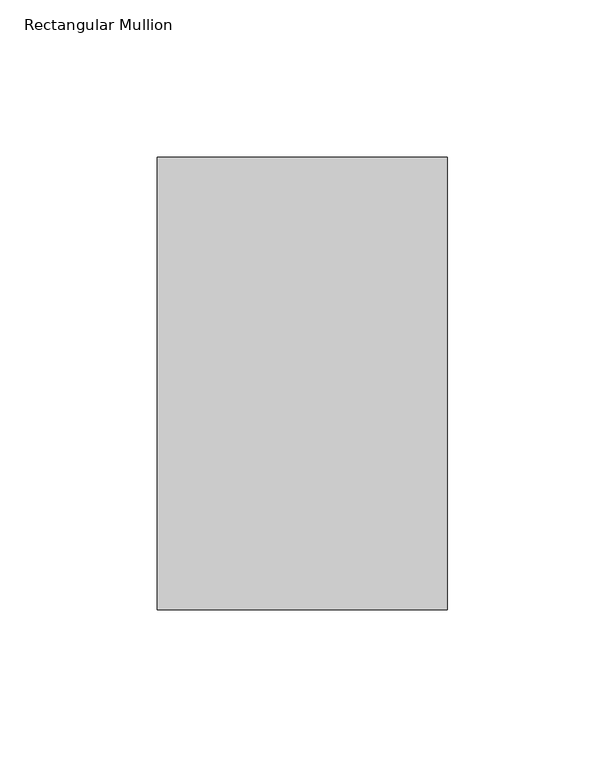
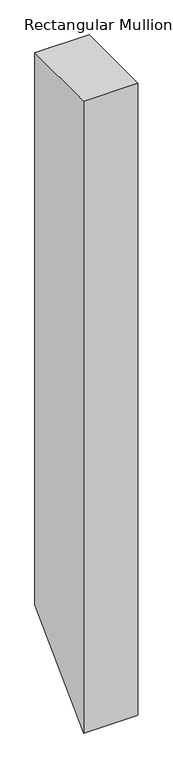
"""IFC4 building model written with IfcOpenShell, lengths in millimetres: member geometry, Rectangular Mullion."""

import ifcopenshell
import ifcopenshell.guid

model = None  # the IFC model being written
_history = None  # IfcOwnerHistory: only IFC2X3 demands one
_inside = {}  # id of a spatial element -> (the spatial element, [elements in it])
_under = {}  # id of a project, library or spatial element -> (it, [spatial elements below it])
_declared = {}  # id of a project -> (the project, [libraries it declares])
_typed = {}  # id of a type object -> (the type object, [elements of that type])
_made_of = {}  # id of a material, layer set ... -> (it, [elements and type objects made of it])


def new_model(schema):
    """Start an empty IFC model of exactly this schema.

    Asked for "IFC4X3", IfcOpenShell would pick the latest addendum, in which some entities
    have other attributes; the version numbers below select the first issue.
    IFC2X3 requires an IfcOwnerHistory on every rooted entity: one is made here for all.
    """
    global model, _history
    if schema == "IFC4X3":
        model = ifcopenshell.file(schema_version=(4, 3, 0, 0))
    else:
        model = ifcopenshell.file(schema=schema)
    _inside.clear()
    _under.clear()
    _declared.clear()
    _typed.clear()
    _made_of.clear()
    _history = None
    if model.schema == "IFC2X3":
        org = make("IfcOrganization", Name="unknown")
        user = make(
            "IfcPersonAndOrganization",
            ThePerson=make("IfcPerson", FamilyName="unknown"),
            TheOrganization=org,
        )
        app = make(
            "IfcApplication",
            ApplicationDeveloper=org,
            Version="unknown",
            ApplicationFullName="unknown",
            ApplicationIdentifier="unknown",
        )
        _history = make(
            "IfcOwnerHistory",
            OwningUser=user,
            OwningApplication=app,
            ChangeAction="ADDED",
            CreationDate=0,
        )
    return model


def make(cls, **values):
    """One entity of the class cls with the attributes given. An attribute that is None is left unset."""
    return model.create_entity(
        cls, **{name: value for name, value in values.items() if value is not None}
    )


def rooted(cls, **values):
    """An entity with a GlobalId (a new one), such as an element, a storey or a relation."""
    return make(cls, GlobalId=ifcopenshell.guid.new(), OwnerHistory=_history, **values)


def si_unit(unit_type, name, prefix=None):
    """IfcSIUnit, for example si_unit("LENGTHUNIT", "METRE", prefix="MILLI")."""
    return make("IfcSIUnit", UnitType=unit_type, Prefix=prefix, Name=name)


def assignment(units):
    """IfcUnitAssignment: the units of a project."""
    return None if units is None else make("IfcUnitAssignment", Units=units)


def point(xyz):
    """IfcCartesianPoint."""
    return None if xyz is None else make("IfcCartesianPoint", Coordinates=xyz)


def direction(xyz):
    """IfcDirection."""
    return None if xyz is None else make("IfcDirection", DirectionRatios=xyz)


def frame(location, z_axis=None, x_axis=None):
    """IfcAxis2Placement3D, a coordinate frame: its origin and axes. An axis left out is left unset."""
    return make(
        "IfcAxis2Placement3D",
        Location=point(location),
        Axis=direction(z_axis),
        RefDirection=direction(x_axis),
    )


def origin():
    """The frame at (0, 0, 0) with its axes left unset."""
    return frame((0.0, 0.0, 0.0))


def place(relative_to, where):
    """IfcLocalPlacement: puts the frame where relative to a parent placement (None: the world)."""
    return make(
        "IfcLocalPlacement", PlacementRelTo=relative_to, RelativePlacement=where
    )


def context(
    kind, dimensions, precision=None, world=None, true_north=None, identifier=None
):
    """IfcGeometricRepresentationContext, for example the 3D "Model" context."""
    return make(
        "IfcGeometricRepresentationContext",
        ContextIdentifier=identifier,
        ContextType=kind,
        CoordinateSpaceDimension=dimensions,
        Precision=precision,
        WorldCoordinateSystem=world,
        TrueNorth=true_north,
    )


def project(units=None, contexts=None):
    """IfcProject with its units and contexts."""
    return rooted(
        "IfcProject",
        Name="project",
        RepresentationContexts=contexts,
        UnitsInContext=assignment(units),
    )


def spatial(cls, under=None, at=None, **own):
    """A site, building, storey or space (cls), placed at a placement, below another one or the project."""
    s = rooted(cls, ObjectPlacement=at, **own)
    if under is not None:
        _under.setdefault(under.id(), (under, []))[1].append(s)
    return s


def polyline(points):
    """IfcPolyline through the points."""
    return make("IfcPolyline", Points=[point(p) for p in points])


def outline(outer, holes=None, kind="AREA"):
    """IfcArbitraryClosedProfileDef: a profile drawn as a closed curve; with holes, ...WithVoids."""
    if holes is None:
        return make("IfcArbitraryClosedProfileDef", ProfileType=kind, OuterCurve=outer)
    return make(
        "IfcArbitraryProfileDefWithVoids",
        ProfileType=kind,
        OuterCurve=outer,
        InnerCurves=holes,
    )


def extrude(swept, where, along, depth):
    """IfcExtrudedAreaSolid: the profile swept, set in the frame where, extruded along a direction by depth."""
    return make(
        "IfcExtrudedAreaSolid",
        SweptArea=swept,
        Position=where,
        ExtrudedDirection=direction(along),
        Depth=depth,
    )


def shape(context_of_items, identifier, shape_type, items):
    """IfcShapeRepresentation: the items that make up one representation, for example the "Body"."""
    return make(
        "IfcShapeRepresentation",
        ContextOfItems=context_of_items,
        RepresentationIdentifier=identifier,
        RepresentationType=shape_type,
        Items=items,
    )


def source(mapping_origin, context_of_items, identifier, shape_type, items):
    """IfcRepresentationMap: a shape defined once, which mapped items show again and again."""
    return make(
        "IfcRepresentationMap",
        MappingOrigin=mapping_origin,
        MappedRepresentation=shape(context_of_items, identifier, shape_type, items),
    )


def transform(
    local_origin,
    x_axis=None,
    y_axis=None,
    z_axis=None,
    scale=None,
    scale2=None,
    scale3=None,
    uniform=True,
):
    """IfcCartesianTransformationOperator3D, or its non-uniform kind. x_axis, y_axis, z_axis: its Axis1, 2, 3."""
    if uniform:
        return make(
            "IfcCartesianTransformationOperator3D",
            Axis1=direction(x_axis),
            Axis2=direction(y_axis),
            LocalOrigin=point(local_origin),
            Scale=scale,
            Axis3=direction(z_axis),
        )
    return make(
        "IfcCartesianTransformationOperator3DnonUniform",
        Axis1=direction(x_axis),
        Axis2=direction(y_axis),
        LocalOrigin=point(local_origin),
        Scale=scale,
        Axis3=direction(z_axis),
        Scale2=scale2,
        Scale3=scale3,
    )


def mapped(mapping_source, mapping_target):
    """IfcMappedItem: shows the shape of a source again, moved by a transform."""
    return make(
        "IfcMappedItem", MappingSource=mapping_source, MappingTarget=mapping_target
    )


def made_of(thing, what):
    """Note that an element or type object is made of a material, layer set ...; save() writes the relation."""
    if what is not None:
        _made_of.setdefault(what.id(), (what, []))[1].append(thing)
    return thing


def element(
    cls,
    number,
    at=None,
    inside=None,
    cuts=None,
    type_object=None,
    material=None,
    context=None,
    identifier="Body",
    shape_type=None,
    held_by="IfcProductDefinitionShape",
    body=None,
    shapes=None,
    **own,
):
    """One element of the class cls, such as IfcWall. Its Tag is "e" and its number.

    at: its placement. inside: the storey or other place that contains it. cuts: it is an
    opening in that element (IfcRelVoidsElement). A single representation is given by context,
    identifier, shape_type and body (its items); several are given by shapes. held_by: the class
    of the entity that holds the representations. save() writes the other relations.
    """
    e = rooted(cls, Tag="e%d" % number, ObjectPlacement=at, **own)
    if body is not None:
        shapes = [shape(context, identifier, shape_type, body)]
    if shapes is not None:
        e.Representation = make(held_by, Representations=shapes)
    if inside is not None:
        _inside.setdefault(inside.id(), (inside, []))[1].append(e)
    if cuts is not None:
        rooted(
            "IfcRelVoidsElement", RelatingBuildingElement=cuts, RelatedOpeningElement=e
        )
    if type_object is not None:
        _typed.setdefault(type_object.id(), (type_object, []))[1].append(e)
    return made_of(e, material)


def aggregate(whole, parts):
    """IfcRelAggregates: a whole, such as a stair, and the parts it consists of."""
    return rooted("IfcRelAggregates", RelatingObject=whole, RelatedObjects=parts)


def save(model, path):
    """Write the relations noted so far, then the file.

    IfcRelAggregates (storeys below a building ...), IfcRelContainedInSpatialStructure (elements
    in a storey), IfcRelDefinesByType, IfcRelAssociatesMaterial and IfcRelDeclares: one each for
    every whole, place, type object, material and project.
    """
    for whole, parts in _under.values():
        aggregate(whole, parts)
    for where, things in _inside.values():
        rooted(
            "IfcRelContainedInSpatialStructure",
            RelatedElements=things,
            RelatingStructure=where,
        )
    for kind, things in _typed.values():
        rooted("IfcRelDefinesByType", RelatedObjects=things, RelatingType=kind)
    for what, things in _made_of.values():
        rooted("IfcRelAssociatesMaterial", RelatedObjects=things, RelatingMaterial=what)
    for by, libraries in _declared.values():
        rooted("IfcRelDeclares", RelatingContext=by, RelatedDefinitions=libraries)
    model.write(path)


def rectangular_mullion_37c077b2(model_context):
    return source(origin(), model_context, "Body", "SweptSolid", [
        extrude(outline(polyline([(46.7447302, 0.0), (190.4071312, 0.0), (190.4071312, -991.0122916), (46.7447302, -1134.6746927), (46.7447302, 0.0)])), frame((-92.0877, 0.0, 0.0), z_axis=(1.0, 0.0, 0.0), x_axis=(0.0, 1.0, 0.0)), (0.0, 0.0, 1.0), 92.0877),
    ])


if __name__ == "__main__":
    model = new_model("IFC4")
    model_context = context("Model", 3, world=origin())
    ifc_project = project(units=[si_unit("LENGTHUNIT", "METRE", prefix="MILLI")], contexts=[model_context])
    site = spatial("IfcSite", under=ifc_project)
    building = spatial("IfcBuilding", under=site)
    placement = place(None, origin())
    rectangular_mullion_shape = rectangular_mullion_37c077b2(model_context)
    element("IfcMember", 1, ObjectType="Rectangular Mullion", at=placement, inside=building, context=model_context, shape_type="MappedRepresentation", body=[
        mapped(rectangular_mullion_shape, transform((0.0, 0.0, 0.0), x_axis=(1.0, 0.0, 0.0), y_axis=(0.0, 1.0, 0.0), z_axis=(0.0, 0.0, 1.0))),
    ])
    save(model, "model.ifc")
